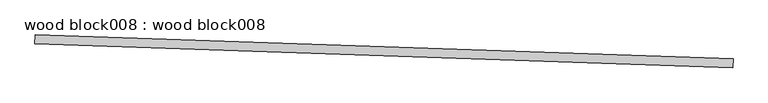
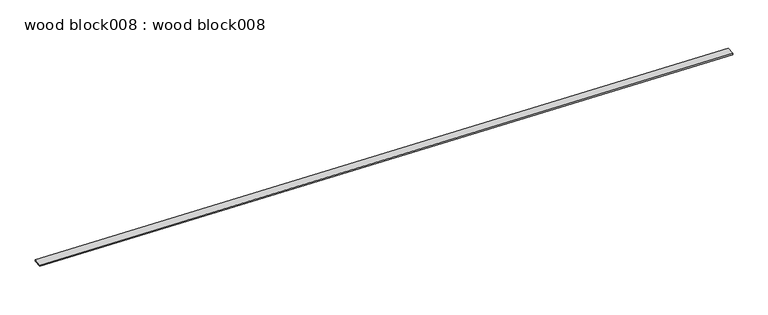
"""IFC4 building model written with IfcOpenShell, lengths in millimetres: proxy geometry, wood block008 : wood block008."""

from ifc_helpers import new_model, si_unit, frame, origin, place, context, project, spatial, polyline, outline, extrude, source, transform, mapped, element, save


def wood_block008_wood_block008_6bb84107(model_context):
    return source(origin(), model_context, "Body", "SweptSolid", [
        extrude(outline(polyline([(17298.2957639, -14886.9038154), (17305.8694582, -14665.5918579), (34362.1448072, -15249.2883593), (34354.5711129, -15470.6003169), (17298.2957639, -14886.9038154)])), frame((0.0, 0.0, 5722.2111181), z_axis=(0.0, 0.0, 1.0), x_axis=(1.0, 0.0, 0.0)), (0.0, 0.0, 1.0), 38.1),
    ])


if __name__ == "__main__":
    model = new_model("IFC4")
    model_context = context("Model", 3, world=origin())
    ifc_project = project(units=[si_unit("LENGTHUNIT", "METRE", prefix="MILLI")], contexts=[model_context])
    site = spatial("IfcSite", under=ifc_project)
    building = spatial("IfcBuilding", under=site)
    placement = place(None, origin())
    wood_block008_wood_block008_shape = wood_block008_wood_block008_6bb84107(model_context)
    element("IfcBuildingElementProxy", 1, Name="wood block008 : wood block008", ObjectType="wood block008 : wood block008", at=placement, inside=building, context=model_context, shape_type="MappedRepresentation", body=[
        mapped(wood_block008_wood_block008_shape, transform((0.0, 0.0, 0.0), x_axis=(1.0, 0.0, 0.0), y_axis=(0.0, 1.0, 0.0), z_axis=(0.0, 0.0, 1.0))),
    ])
    save(model, "model.ifc")
